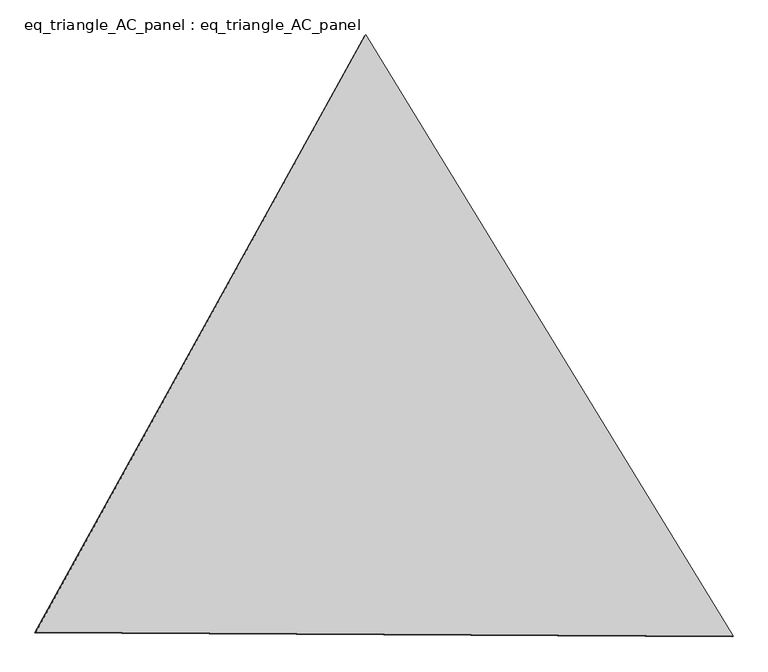
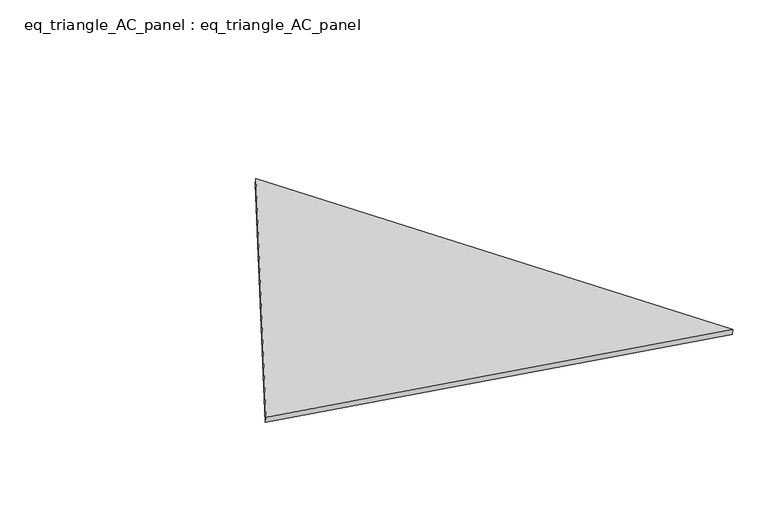
"""IFC4 building model written with IfcOpenShell, lengths in millimetres: proxy geometry, eq_triangle_AC_panel : eq_triangle_AC_panel."""

from ifc_helpers import new_model, si_unit, frame, origin, place, context, project, spatial, polyline, outline, extrude, source, transform, mapped, element, save


def eq_triangle_ac_panel_eq_triangle_ac_panel_4a17e954(model_context):
    return source(origin(), model_context, "Body", "SweptSolid", [
        extrude(outline(polyline([(-2032.8306629, 1173.1700195), (2091.2842303, 1173.1700196), (-58.4535675, -2346.3400391), (-2032.8306629, 1173.1700195)])), frame((0.0038051, 527.9290861, 89.8240019), z_axis=(0.14526328518058165, 0.08386570281802201, 0.9858321976225894), x_axis=(0.5211103640697989, -0.8534790669542915, -0.0041798002193210015)), (0.0, 0.0, 1.0), 43.8306294),
    ])


if __name__ == "__main__":
    model = new_model("IFC4")
    model_context = context("Model", 3, world=origin())
    ifc_project = project(units=[si_unit("LENGTHUNIT", "METRE", prefix="MILLI")], contexts=[model_context])
    site = spatial("IfcSite", under=ifc_project)
    building = spatial("IfcBuilding", under=site)
    placement = place(None, origin())
    eq_triangle_ac_panel_eq_triangle_ac_panel_shape = eq_triangle_ac_panel_eq_triangle_ac_panel_4a17e954(model_context)
    element("IfcBuildingElementProxy", 1, Name="eq_triangle_AC_panel : eq_triangle_AC_panel", ObjectType="eq_triangle_AC_panel : eq_triangle_AC_panel", at=placement, inside=building, context=model_context, shape_type="MappedRepresentation", body=[
        mapped(eq_triangle_ac_panel_eq_triangle_ac_panel_shape, transform((0.0, 0.0, 0.0), x_axis=(1.0, 0.0, 0.0), y_axis=(0.0, 1.0, 0.0), z_axis=(0.0, 0.0, 1.0))),
    ])
    save(model, "model.ifc")
